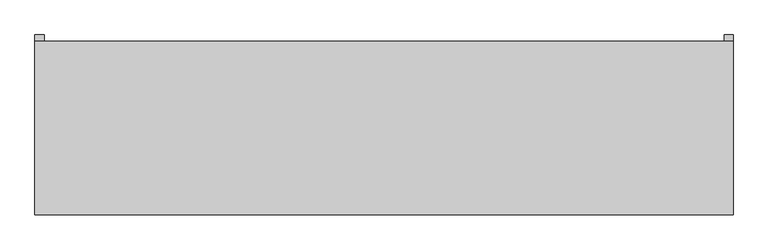
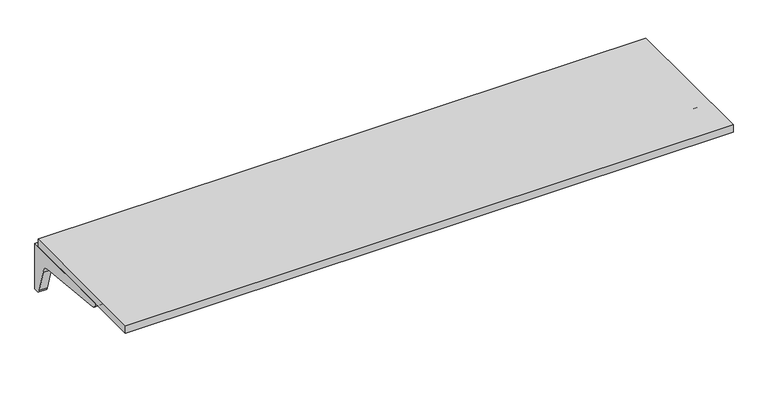
"""IFC4 building model written with IfcOpenShell, lengths in millimetres: furniture geometry."""

from ifc_helpers import new_model, si_unit, point, frame, frame_2d, origin, place, context, project, spatial, polyline, circle_curve, trimmed, segment, composite_curve, outline, extrude, source, transform, mapped, element, save


def furniture_4df9ea1b(model_context):
    return source(origin(), model_context, "Body", "SweptSolid", [
        extrude(outline(composite_curve([segment(polyline([(314.325, 704.85), (314.325, 511.175), (301.625, 511.175)]), True, "CONTINUOUS"), segment(trimmed(circle_curve(frame_2d((299.3081081, 528.3371622)), 17.3178462), [point((301.625, 511.175))], [point((282.575, 523.875))], False, "CARTESIAN"), True, "CONTINUOUS"), segment(polyline([(282.575, 523.875), (257.175, 615.95)]), True, "CONTINUOUS"), segment(trimmed(circle_curve(frame_2d((221.8170455, 612.3420455)), 35.5415572), [point((257.175, 615.95))], [point((225.425, 647.7))], True, "CARTESIAN"), True, "CONTINUOUS"), segment(polyline([(225.425, 647.7), (-85.725, 679.45)]), True, "CONTINUOUS"), segment(trimmed(circle_curve(frame_2d((-85.725, 698.5)), 19.05), [point((-85.725, 679.45))], [point((-104.775, 698.5))], False, "CARTESIAN"), True, "CONTINUOUS"), segment(polyline([(-104.775, 698.5), (-104.775, 704.85), (314.325, 704.85)]), True, "CONTINUOUS")], self_intersect=False)), frame((1187.45, 0.0, 0.0), z_axis=(1.0, 0.0, 0.0), x_axis=(0.0, 1.0, 0.0)), (0.0, 0.0, 1.0), 31.75),
        extrude(outline(composite_curve([segment(polyline([(314.325, 704.85), (314.325, 511.175), (301.625, 511.175)]), True, "CONTINUOUS"), segment(trimmed(circle_curve(frame_2d((299.3081081, 528.3371622)), 17.3178462), [point((301.625, 511.175))], [point((282.575, 523.875))], False, "CARTESIAN"), True, "CONTINUOUS"), segment(polyline([(282.575, 523.875), (257.175, 615.95)]), True, "CONTINUOUS"), segment(trimmed(circle_curve(frame_2d((221.8170455, 612.3420455)), 35.5415572), [point((257.175, 615.95))], [point((225.425, 647.7))], True, "CARTESIAN"), True, "CONTINUOUS"), segment(polyline([(225.425, 647.7), (-85.725, 679.45)]), True, "CONTINUOUS"), segment(trimmed(circle_curve(frame_2d((-85.725, 698.5)), 19.05), [point((-85.725, 679.45))], [point((-104.775, 698.5))], False, "CARTESIAN"), True, "CONTINUOUS"), segment(polyline([(-104.775, 698.5), (-104.775, 704.85), (314.325, 704.85)]), True, "CONTINUOUS")], self_intersect=False)), frame((-1219.2, 0.0, 0.0), z_axis=(1.0, 0.0, 0.0), x_axis=(0.0, 1.0, 0.0)), (0.0, 0.0, 1.0), 31.75),
        extrude(outline(polyline([(-1219.2, 292.1), (1219.2, 292.1), (1219.2, -314.325), (-1219.2, -314.325), (-1219.2, 292.1)])), frame((0.0, 0.0, 704.85), z_axis=(0.0, 0.0, 1.0), x_axis=(1.0, 0.0, 0.0)), (0.0, 0.0, 1.0), 31.75),
    ])


if __name__ == "__main__":
    model = new_model("IFC4")
    model_context = context("Model", 3, world=origin())
    ifc_project = project(units=[si_unit("LENGTHUNIT", "METRE", prefix="MILLI")], contexts=[model_context])
    site = spatial("IfcSite", under=ifc_project)
    building = spatial("IfcBuilding", under=site)
    placement = place(None, origin())
    furniture_shape = furniture_4df9ea1b(model_context)
    element("IfcFurniture", 1, at=placement, inside=building, context=model_context, shape_type="MappedRepresentation", body=[
        mapped(furniture_shape, transform((0.0, 0.0, 0.0), x_axis=(1.0, 0.0, 0.0), y_axis=(0.0, 1.0, 0.0), z_axis=(0.0, 0.0, 1.0))),
    ])
    save(model, "model.ifc")
